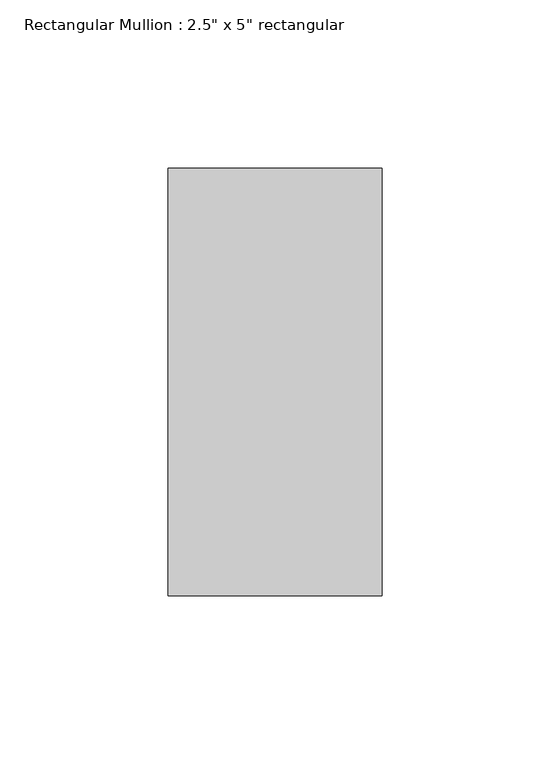
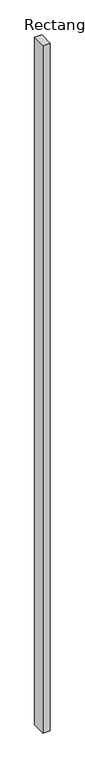
"""IFC4 building model written with IfcOpenShell, lengths in millimetres: member geometry."""

from ifc_helpers import new_model, si_unit, frame, origin, place, context, project, spatial, polyline, outline, extrude, source, transform, mapped, element, save


def member_e1da69e4(model_context):
    return source(origin(), model_context, "Body", "SweptSolid", [
        extrude(outline(polyline([(0.0, 63.5), (0.0, -63.5), (-63.5, -63.5), (-63.5, 63.5), (0.0, 63.5)])), frame((0.0, 0.0, -6400.0), z_axis=(0.0, 0.0, 1.0), x_axis=(1.0, 0.0, 0.0)), (0.0, 0.0, 1.0), 6400.0),
    ])


if __name__ == "__main__":
    model = new_model("IFC4")
    model_context = context("Model", 3, world=origin())
    ifc_project = project(units=[si_unit("LENGTHUNIT", "METRE", prefix="MILLI")], contexts=[model_context])
    site = spatial("IfcSite", under=ifc_project)
    building = spatial("IfcBuilding", under=site)
    placement = place(None, origin())
    member_shape = member_e1da69e4(model_context)
    element("IfcMember", 1, ObjectType="Rectangular Mullion : 2.5\" x 5\" rectangular", at=placement, inside=building, context=model_context, shape_type="MappedRepresentation", body=[
        mapped(member_shape, transform((0.0, 0.0, 0.0), x_axis=(1.0, 0.0, 0.0), y_axis=(0.0, 1.0, 0.0), z_axis=(0.0, 0.0, 1.0))),
    ])
    save(model, "model.ifc")
